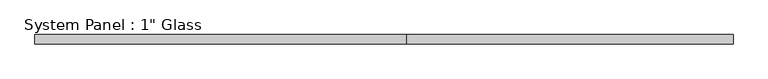
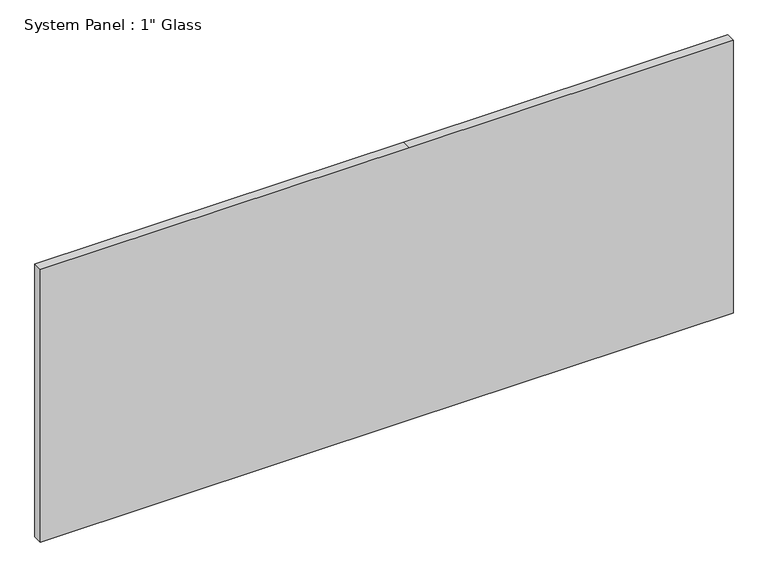
"""IFC4 building model written with IfcOpenShell, lengths in millimetres: plate geometry."""

from ifc_helpers import new_model, si_unit, frame, origin, place, context, project, spatial, polyline, outline, extrude, source, transform, mapped, element, save


def plate_e3f456db(model_context):
    return source(origin(), model_context, "Body", "SweptSolid", [
        extrude(outline(polyline([(0.0, -930.275), (0.0, 60.325), (0.0, 930.275), (774.7, 930.275), (774.7, 60.325), (774.7, -930.275), (0.0, -930.275)])), frame((0.0, -12.7, 0.0), z_axis=(0.0, 1.0, 0.0), x_axis=(0.0, 0.0, 1.0)), (0.0, 0.0, 1.0), 25.4),
    ])


if __name__ == "__main__":
    model = new_model("IFC4")
    model_context = context("Model", 3, world=origin())
    ifc_project = project(units=[si_unit("LENGTHUNIT", "METRE", prefix="MILLI")], contexts=[model_context])
    site = spatial("IfcSite", under=ifc_project)
    building = spatial("IfcBuilding", under=site)
    placement = place(None, origin())
    plate_shape = plate_e3f456db(model_context)
    element("IfcPlate", 1, ObjectType="System Panel : 1\" Glass", at=placement, inside=building, context=model_context, shape_type="MappedRepresentation", body=[
        mapped(plate_shape, transform((0.0, 0.0, 0.0), x_axis=(1.0, 0.0, 0.0), y_axis=(0.0, 1.0, 0.0), z_axis=(0.0, 0.0, 1.0))),
    ])
    save(model, "model.ifc")
